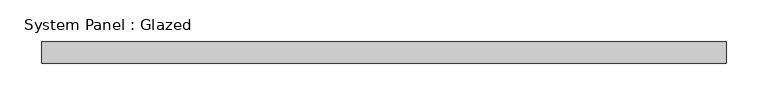
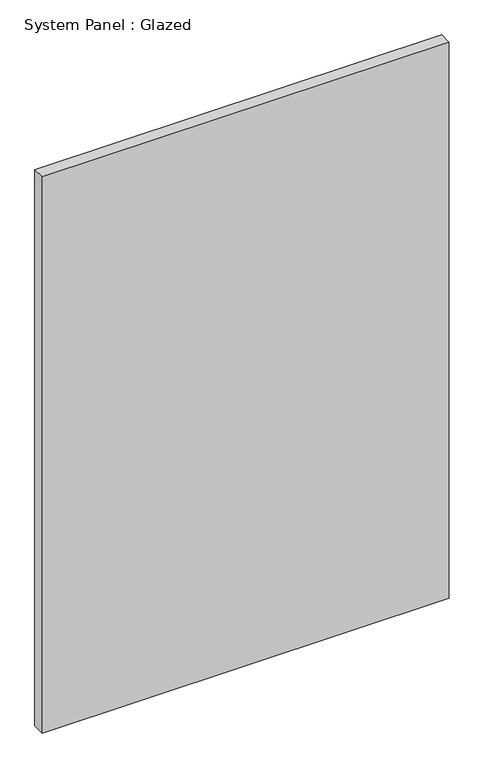
"""IFC4 building model written with IfcOpenShell, lengths in millimetres: plate geometry, System Panel : Glazed."""

from ifc_helpers import new_model, si_unit, origin, origin_with_axes, place, context, project, spatial, polyline, outline, extrude, source, transform, mapped, element, save


def system_panel_glazed_aeafcaf6(model_context):
    return source(origin(), model_context, "Body", "SweptSolid", [
        extrude(outline(polyline([(409.5749991, 0.0), (-409.5749991, 0.0), (-409.5749991, 25.4), (409.5749991, 25.4), (409.5749991, 0.0)])), origin_with_axes(), (0.0, 0.0, 1.0), 1182.6875),
    ])


if __name__ == "__main__":
    model = new_model("IFC4")
    model_context = context("Model", 3, world=origin())
    ifc_project = project(units=[si_unit("LENGTHUNIT", "METRE", prefix="MILLI")], contexts=[model_context])
    site = spatial("IfcSite", under=ifc_project)
    building = spatial("IfcBuilding", under=site)
    placement = place(None, origin())
    system_panel_glazed_shape = system_panel_glazed_aeafcaf6(model_context)
    element("IfcPlate", 1, ObjectType="System Panel : Glazed", at=placement, inside=building, context=model_context, shape_type="MappedRepresentation", body=[
        mapped(system_panel_glazed_shape, transform((0.0, 0.0, 0.0), x_axis=(1.0, 0.0, 0.0), y_axis=(0.0, 1.0, 0.0), z_axis=(0.0, 0.0, 1.0))),
    ])
    save(model, "model.ifc")
